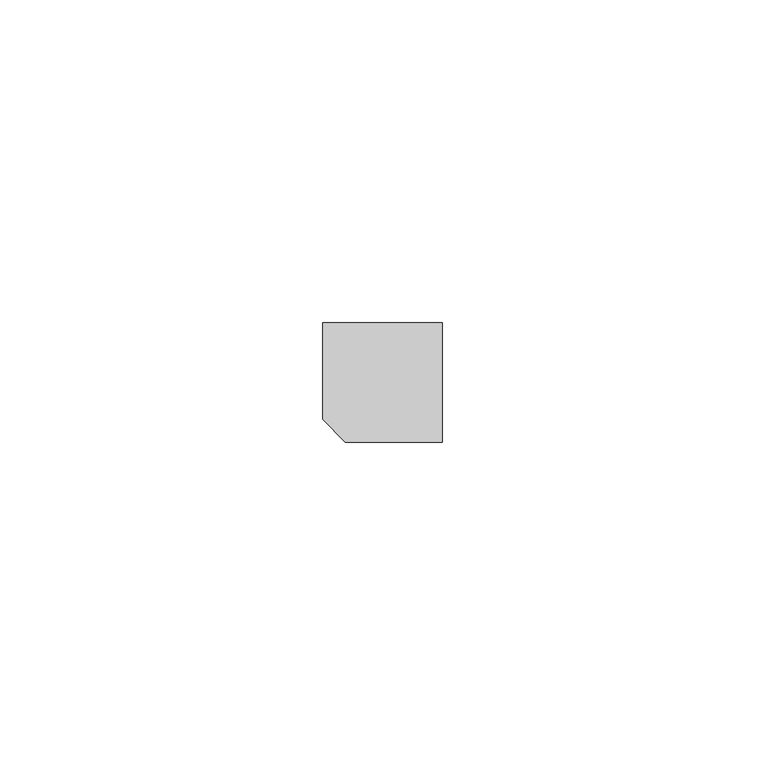
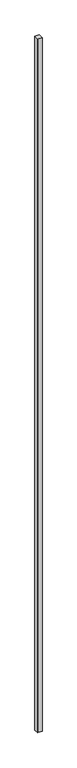
"""IFC4 building model written with IfcOpenShell, lengths in millimetres: proxy geometry."""

from ifc_helpers import new_model, si_unit, origin, place, context, project, spatial, faceted_brep, source, transform, mapped, element, save


def generic_models_e52b8439(model_context):
    return source(origin(), model_context, "Body", "Brep", [
        faceted_brep([(15.0, 15.0, 3000.0), (-3.5355339, 15.0, 3000.0), (-3.5355339, 0.0, 3000.0), (0.0, -3.5355339, 3000.0), (15.0, -3.5355339, 3000.0), (15.0, 15.0, 0.0), (-3.5355339, 15.0, 0.0), (-3.5355339, 0.0, 0.0), (-1.767767, -1.767767, -1.767767), (0.0, -3.5355339, 0.0), (15.0, -3.5355339, 0.0), (0.0, 0.0, 0.0)], [[[0, 1, 2, 3, 4]], [[1, 0, 5, 6]], [[2, 1, 6, 7]], [[3, 2, 7, 8, 9]], [[4, 3, 9, 10]], [[0, 4, 10, 5]], [[11, 9, 8]], [[6, 5, 10, 9, 11, 7]], [[8, 7, 11]]]),
    ])


if __name__ == "__main__":
    model = new_model("IFC4")
    model_context = context("Model", 3, world=origin())
    ifc_project = project(units=[si_unit("LENGTHUNIT", "METRE", prefix="MILLI")], contexts=[model_context])
    site = spatial("IfcSite", under=ifc_project)
    building = spatial("IfcBuilding", under=site)
    placement = place(None, origin())
    generic_models_shape = generic_models_e52b8439(model_context)
    element("IfcBuildingElementProxy", 1, Name="Generic Models", at=placement, inside=building, context=model_context, shape_type="MappedRepresentation", body=[
        mapped(generic_models_shape, transform((0.0, 0.0, 0.0), x_axis=(1.0, 0.0, 0.0), y_axis=(0.0, 1.0, 0.0), z_axis=(0.0, 0.0, 1.0))),
    ])
    save(model, "model.ifc")
